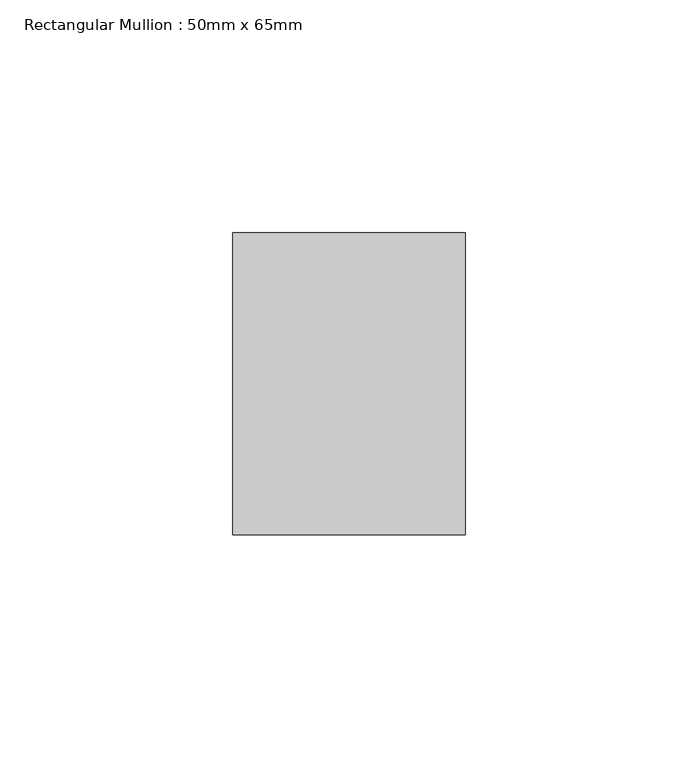
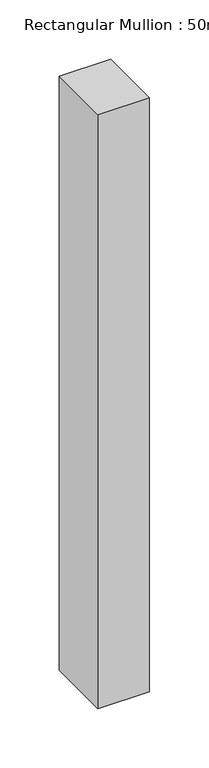
"""IFC4 building model written with IfcOpenShell, lengths in millimetres: member geometry, Rectangular Mullion : 50mm x 65mm."""

from ifc_helpers import new_model, si_unit, frame, origin, place, context, project, spatial, polyline, outline, extrude, source, transform, mapped, element, save


def rectangular_mullion_50mm_x_65mm_731122d9(model_context):
    return source(origin(), model_context, "Body", "SweptSolid", [
        extrude(outline(polyline([(25.0, 32.5), (25.0, -32.5), (-25.0, -32.5), (-25.0, 32.5), (25.0, 32.5)])), frame((0.0, 0.0, -610.7647321), z_axis=(0.0, 0.0, 1.0), x_axis=(1.0, 0.0, 0.0)), (0.0, 0.0, 1.0), 610.7647321),
    ])


if __name__ == "__main__":
    model = new_model("IFC4")
    model_context = context("Model", 3, world=origin())
    ifc_project = project(units=[si_unit("LENGTHUNIT", "METRE", prefix="MILLI")], contexts=[model_context])
    site = spatial("IfcSite", under=ifc_project)
    building = spatial("IfcBuilding", under=site)
    placement = place(None, origin())
    rectangular_mullion_50mm_x_65mm_shape = rectangular_mullion_50mm_x_65mm_731122d9(model_context)
    element("IfcMember", 1, ObjectType="Rectangular Mullion : 50mm x 65mm", at=placement, inside=building, context=model_context, shape_type="MappedRepresentation", body=[
        mapped(rectangular_mullion_50mm_x_65mm_shape, transform((0.0, 0.0, 0.0), x_axis=(1.0, 0.0, 0.0), y_axis=(0.0, 1.0, 0.0), z_axis=(0.0, 0.0, 1.0))),
    ])
    save(model, "model.ifc")
